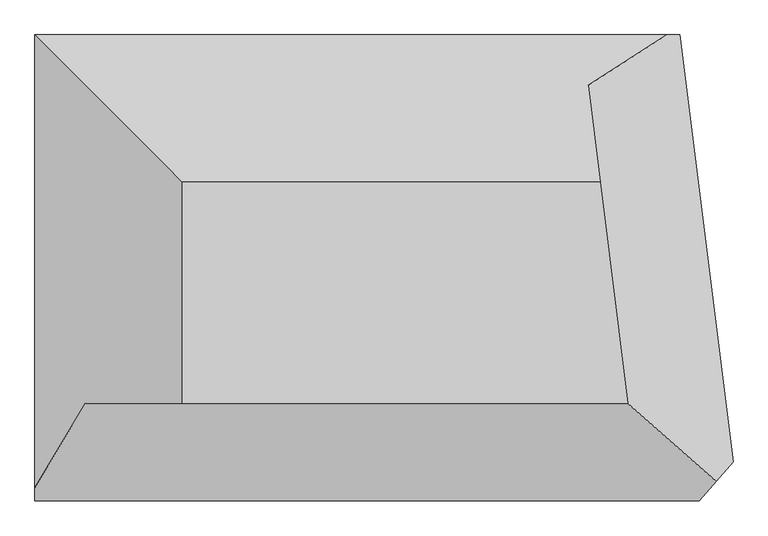
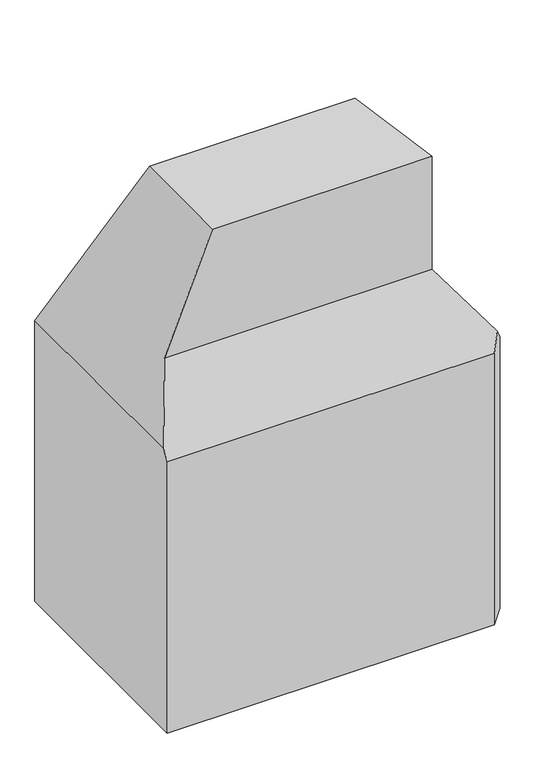
"""IFC4 building model written with IfcOpenShell, lengths in millimetres: proxy geometry."""

from ifc_helpers import new_model, si_unit, origin, place, context, project, spatial, faceted_brep, source, transform, mapped, element, save


def generic_models_eb5c1a8e(model_context):
    return source(origin(), model_context, "Body", "Brep", [
        faceted_brep([(642.8270434, -1300.3135097, 50000.0), (-783.8580386, 10099.6868987, 50000.0), (-22295.9784025, 10099.6868987, 50000.0), (-22295.9784025, -1300.3135097, 50000.0), (-29895.9784025, 17699.6868987, 0.0), (3304.0214212, 17699.6868987, 0.0), (6057.2732352, -4300.3131013, 0.0), (4304.0214212, -6300.3135097, 0.0), (-29895.9784025, -6300.3135097, 0.0), (-29895.9784025, -6300.3135097, 30000.0), (-29895.9784025, -5633.646843, 31000.0), (-29895.9784025, 17699.6868987, 31000.0), (4304.0214212, -6300.3135097, 30000.0), (6057.2732352, -4300.3131013, 30000.0), (5178.0181909, -5303.3124615, 31495.5015723), (3304.0214212, 17699.6868987, 30000.0), (2632.1543794, 17699.6868987, 31000.0), (-1409.5970872, 15099.6868987, 37500.0), (642.8270434, -1300.3135097, 37500.0), (-27295.9784025, -1300.3135097, 37500.0)], [[[0, 1, 2, 3]], [[4, 5, 6, 7, 8]], [[4, 8, 9, 10, 11]], [[8, 7, 12, 9]], [[7, 6, 13, 14, 12]], [[6, 5, 15, 13]], [[5, 4, 11, 16, 15]], [[13, 15, 16, 17, 18, 14]], [[0, 18, 17, 1]], [[9, 12, 14, 18, 19, 10]], [[18, 0, 3, 19]], [[16, 11, 2, 1, 17]], [[3, 2, 11, 10, 19]]]),
    ])


if __name__ == "__main__":
    model = new_model("IFC4")
    model_context = context("Model", 3, world=origin())
    ifc_project = project(units=[si_unit("LENGTHUNIT", "METRE", prefix="MILLI")], contexts=[model_context])
    site = spatial("IfcSite", under=ifc_project)
    building = spatial("IfcBuilding", under=site)
    placement = place(None, origin())
    generic_models_shape = generic_models_eb5c1a8e(model_context)
    element("IfcBuildingElementProxy", 1, Name="Generic Models", at=placement, inside=building, context=model_context, shape_type="MappedRepresentation", body=[
        mapped(generic_models_shape, transform((0.0, 0.0, 0.0), x_axis=(1.0, 0.0, 0.0), y_axis=(0.0, 1.0, 0.0), z_axis=(0.0, 0.0, 1.0))),
    ])
    save(model, "model.ifc")
